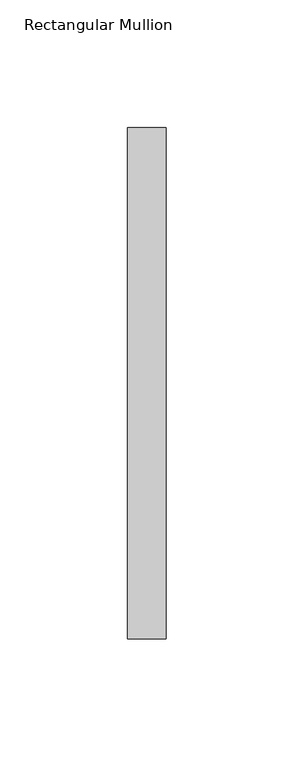
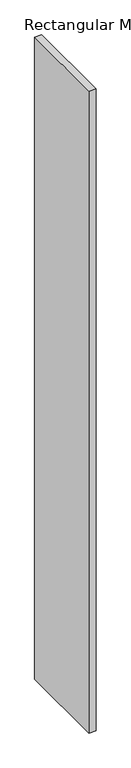
"""IFC4 building model written with IfcOpenShell, lengths in millimetres: member geometry, Rectangular Mullion."""

from ifc_helpers import new_model, si_unit, frame, origin, place, context, project, spatial, polyline, outline, extrude, source, transform, mapped, element, save


def rectangular_mullion_77d05dc4(model_context):
    return source(origin(), model_context, "Body", "SweptSolid", [
        extrude(outline(polyline([(0.0, -53.0), (0.0, -253.0), (-15.0, -253.0), (-15.0, -53.0), (0.0, -53.0)])), frame((0.0, 0.0, -1447.1186706), z_axis=(0.0, 0.0, 1.0), x_axis=(1.0, 0.0, 0.0)), (0.0, 0.0, 1.0), 1447.1186706),
    ])


if __name__ == "__main__":
    model = new_model("IFC4")
    model_context = context("Model", 3, world=origin())
    ifc_project = project(units=[si_unit("LENGTHUNIT", "METRE", prefix="MILLI")], contexts=[model_context])
    site = spatial("IfcSite", under=ifc_project)
    building = spatial("IfcBuilding", under=site)
    placement = place(None, origin())
    rectangular_mullion_shape = rectangular_mullion_77d05dc4(model_context)
    element("IfcMember", 1, ObjectType="Rectangular Mullion", at=placement, inside=building, context=model_context, shape_type="MappedRepresentation", body=[
        mapped(rectangular_mullion_shape, transform((0.0, 0.0, 0.0), x_axis=(1.0, 0.0, 0.0), y_axis=(0.0, 1.0, 0.0), z_axis=(0.0, 0.0, 1.0))),
    ])
    save(model, "model.ifc")
